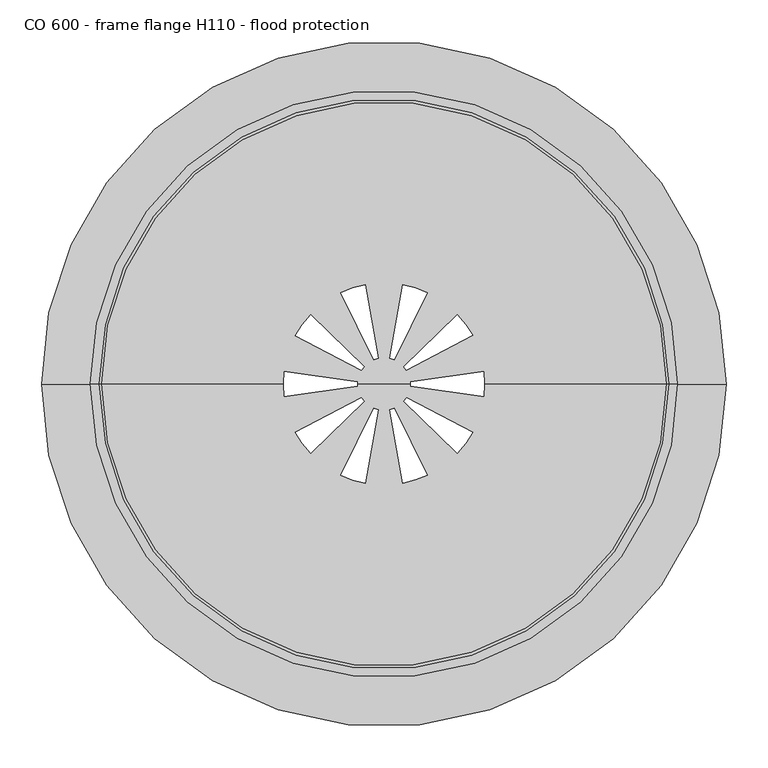
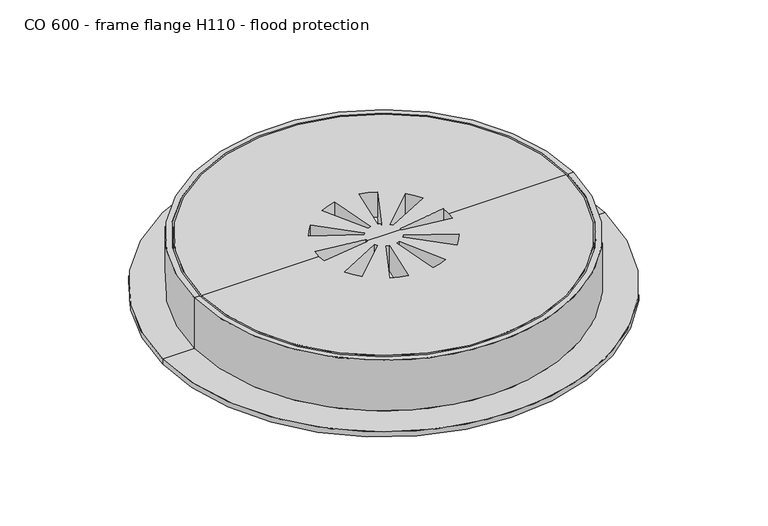
"""IFC4 building model written with IfcOpenShell, lengths in millimetres: sanitary terminal geometry, CO 600 - frame flange H110 - flood protection."""

import ifcopenshell
import ifcopenshell.guid

model = None  # the IFC model being written
_history = None  # IfcOwnerHistory: only IFC2X3 demands one
_inside = {}  # id of a spatial element -> (the spatial element, [elements in it])
_under = {}  # id of a project, library or spatial element -> (it, [spatial elements below it])
_declared = {}  # id of a project -> (the project, [libraries it declares])
_typed = {}  # id of a type object -> (the type object, [elements of that type])
_made_of = {}  # id of a material, layer set ... -> (it, [elements and type objects made of it])


def new_model(schema):
    """Start an empty IFC model of exactly this schema.

    Asked for "IFC4X3", IfcOpenShell would pick the latest addendum, in which some entities
    have other attributes; the version numbers below select the first issue.
    IFC2X3 requires an IfcOwnerHistory on every rooted entity: one is made here for all.
    """
    global model, _history
    if schema == "IFC4X3":
        model = ifcopenshell.file(schema_version=(4, 3, 0, 0))
    else:
        model = ifcopenshell.file(schema=schema)
    _inside.clear()
    _under.clear()
    _declared.clear()
    _typed.clear()
    _made_of.clear()
    _history = None
    if model.schema == "IFC2X3":
        org = make("IfcOrganization", Name="unknown")
        user = make(
            "IfcPersonAndOrganization",
            ThePerson=make("IfcPerson", FamilyName="unknown"),
            TheOrganization=org,
        )
        app = make(
            "IfcApplication",
            ApplicationDeveloper=org,
            Version="unknown",
            ApplicationFullName="unknown",
            ApplicationIdentifier="unknown",
        )
        _history = make(
            "IfcOwnerHistory",
            OwningUser=user,
            OwningApplication=app,
            ChangeAction="ADDED",
            CreationDate=0,
        )
    return model


def make(cls, **values):
    """One entity of the class cls with the attributes given. An attribute that is None is left unset."""
    return model.create_entity(
        cls, **{name: value for name, value in values.items() if value is not None}
    )


def rooted(cls, **values):
    """An entity with a GlobalId (a new one), such as an element, a storey or a relation."""
    return make(cls, GlobalId=ifcopenshell.guid.new(), OwnerHistory=_history, **values)


def si_unit(unit_type, name, prefix=None):
    """IfcSIUnit, for example si_unit("LENGTHUNIT", "METRE", prefix="MILLI")."""
    return make("IfcSIUnit", UnitType=unit_type, Prefix=prefix, Name=name)


def assignment(units):
    """IfcUnitAssignment: the units of a project."""
    return None if units is None else make("IfcUnitAssignment", Units=units)


def point(xyz):
    """IfcCartesianPoint."""
    return None if xyz is None else make("IfcCartesianPoint", Coordinates=xyz)


def direction(xyz):
    """IfcDirection."""
    return None if xyz is None else make("IfcDirection", DirectionRatios=xyz)


def frame(location, z_axis=None, x_axis=None):
    """IfcAxis2Placement3D, a coordinate frame: its origin and axes. An axis left out is left unset."""
    return make(
        "IfcAxis2Placement3D",
        Location=point(location),
        Axis=direction(z_axis),
        RefDirection=direction(x_axis),
    )


def origin():
    """The frame at (0, 0, 0) with its axes left unset."""
    return frame((0.0, 0.0, 0.0))


def origin_with_axes():
    """The frame at (0, 0, 0) with the z axis (0, 0, 1) and the x axis (1, 0, 0) written out."""
    return frame((0.0, 0.0, 0.0), z_axis=(0.0, 0.0, 1.0), x_axis=(1.0, 0.0, 0.0))


def place(relative_to, where):
    """IfcLocalPlacement: puts the frame where relative to a parent placement (None: the world)."""
    return make(
        "IfcLocalPlacement", PlacementRelTo=relative_to, RelativePlacement=where
    )


def context(
    kind, dimensions, precision=None, world=None, true_north=None, identifier=None
):
    """IfcGeometricRepresentationContext, for example the 3D "Model" context."""
    return make(
        "IfcGeometricRepresentationContext",
        ContextIdentifier=identifier,
        ContextType=kind,
        CoordinateSpaceDimension=dimensions,
        Precision=precision,
        WorldCoordinateSystem=world,
        TrueNorth=true_north,
    )


def project(units=None, contexts=None):
    """IfcProject with its units and contexts."""
    return rooted(
        "IfcProject",
        Name="project",
        RepresentationContexts=contexts,
        UnitsInContext=assignment(units),
    )


def spatial(cls, under=None, at=None, **own):
    """A site, building, storey or space (cls), placed at a placement, below another one or the project."""
    s = rooted(cls, ObjectPlacement=at, **own)
    if under is not None:
        _under.setdefault(under.id(), (under, []))[1].append(s)
    return s


def polyline(points):
    """IfcPolyline through the points."""
    return make("IfcPolyline", Points=[point(p) for p in points])


def circle_curve(where, radius):
    """IfcCircle in the frame where."""
    return make("IfcCircle", Position=where, Radius=radius)


def shape(context_of_items, identifier, shape_type, items):
    """IfcShapeRepresentation: the items that make up one representation, for example the "Body"."""
    return make(
        "IfcShapeRepresentation",
        ContextOfItems=context_of_items,
        RepresentationIdentifier=identifier,
        RepresentationType=shape_type,
        Items=items,
    )


def source(mapping_origin, context_of_items, identifier, shape_type, items):
    """IfcRepresentationMap: a shape defined once, which mapped items show again and again."""
    return make(
        "IfcRepresentationMap",
        MappingOrigin=mapping_origin,
        MappedRepresentation=shape(context_of_items, identifier, shape_type, items),
    )


def transform(
    local_origin,
    x_axis=None,
    y_axis=None,
    z_axis=None,
    scale=None,
    scale2=None,
    scale3=None,
    uniform=True,
):
    """IfcCartesianTransformationOperator3D, or its non-uniform kind. x_axis, y_axis, z_axis: its Axis1, 2, 3."""
    if uniform:
        return make(
            "IfcCartesianTransformationOperator3D",
            Axis1=direction(x_axis),
            Axis2=direction(y_axis),
            LocalOrigin=point(local_origin),
            Scale=scale,
            Axis3=direction(z_axis),
        )
    return make(
        "IfcCartesianTransformationOperator3DnonUniform",
        Axis1=direction(x_axis),
        Axis2=direction(y_axis),
        LocalOrigin=point(local_origin),
        Scale=scale,
        Axis3=direction(z_axis),
        Scale2=scale2,
        Scale3=scale3,
    )


def mapped(mapping_source, mapping_target):
    """IfcMappedItem: shows the shape of a source again, moved by a transform."""
    return make(
        "IfcMappedItem", MappingSource=mapping_source, MappingTarget=mapping_target
    )


def made_of(thing, what):
    """Note that an element or type object is made of a material, layer set ...; save() writes the relation."""
    if what is not None:
        _made_of.setdefault(what.id(), (what, []))[1].append(thing)
    return thing


def element(
    cls,
    number,
    at=None,
    inside=None,
    cuts=None,
    type_object=None,
    material=None,
    context=None,
    identifier="Body",
    shape_type=None,
    held_by="IfcProductDefinitionShape",
    body=None,
    shapes=None,
    **own,
):
    """One element of the class cls, such as IfcWall. Its Tag is "e" and its number.

    at: its placement. inside: the storey or other place that contains it. cuts: it is an
    opening in that element (IfcRelVoidsElement). A single representation is given by context,
    identifier, shape_type and body (its items); several are given by shapes. held_by: the class
    of the entity that holds the representations. save() writes the other relations.
    """
    e = rooted(cls, Tag="e%d" % number, ObjectPlacement=at, **own)
    if body is not None:
        shapes = [shape(context, identifier, shape_type, body)]
    if shapes is not None:
        e.Representation = make(held_by, Representations=shapes)
    if inside is not None:
        _inside.setdefault(inside.id(), (inside, []))[1].append(e)
    if cuts is not None:
        rooted(
            "IfcRelVoidsElement", RelatingBuildingElement=cuts, RelatedOpeningElement=e
        )
    if type_object is not None:
        _typed.setdefault(type_object.id(), (type_object, []))[1].append(e)
    return made_of(e, material)


def aggregate(whole, parts):
    """IfcRelAggregates: a whole, such as a stair, and the parts it consists of."""
    return rooted("IfcRelAggregates", RelatingObject=whole, RelatedObjects=parts)


def save(model, path):
    """Write the relations noted so far, then the file.

    IfcRelAggregates (storeys below a building ...), IfcRelContainedInSpatialStructure (elements
    in a storey), IfcRelDefinesByType, IfcRelAssociatesMaterial and IfcRelDeclares: one each for
    every whole, place, type object, material and project.
    """
    for whole, parts in _under.values():
        aggregate(whole, parts)
    for where, things in _inside.values():
        rooted(
            "IfcRelContainedInSpatialStructure",
            RelatedElements=things,
            RelatingStructure=where,
        )
    for kind, things in _typed.values():
        rooted("IfcRelDefinesByType", RelatedObjects=things, RelatingType=kind)
    for what, things in _made_of.values():
        rooted("IfcRelAssociatesMaterial", RelatedObjects=things, RelatingMaterial=what)
    for by, libraries in _declared.values():
        rooted("IfcRelDeclares", RelatingContext=by, RelatedDefinitions=libraries)
    model.write(path)


def plane_surface(at):
    """IfcPlane: the flat surface through the origin of the frame at, square to its z axis."""
    return make("IfcPlane", Position=at)


def cylinder_surface(at, radius):
    """IfcCylindricalSurface: all points at the distance radius from the z axis of the frame at."""
    return make("IfcCylindricalSurface", Position=at, Radius=radius)


def revolved_surface(curve, axis_point, axis_direction):
    """IfcSurfaceOfRevolution: the curve turned about the line through axis_point along axis_direction."""
    return make(
        "IfcSurfaceOfRevolution",
        SweptCurve=make("IfcArbitraryOpenProfileDef", ProfileType="CURVE", Curve=curve),
        AxisPosition=make("IfcAxis1Placement", Location=point(axis_point), Axis=direction(axis_direction)),
    )


def advanced_brep(points, edges, surfaces, faces):
    """IfcAdvancedBrep: a solid bounded by faces that lie on surfaces and meet in shared edges.

    An edge is (start, end): straight between two places in points (the first is 0);
    or (start, end, curve); or (start, end, curve, False) where it runs against its curve.
    A face is (place in surfaces, loops), or (place, loops, False) where it looks against
    its surface's normal. A loop lists edges by number (the first is 1), with a minus sign
    where the edge is run from its end to its start. The first loop is the outer one.
    """
    corners = [point(p) for p in points]
    vertices = [make("IfcVertexPoint", VertexGeometry=c) for c in corners]
    made = []
    for start, end, *more in edges:
        made.append(
            make(
                "IfcEdgeCurve",
                EdgeStart=vertices[start],
                EdgeEnd=vertices[end],
                EdgeGeometry=more[0] if more else make("IfcPolyline", Points=[corners[start], corners[end]]),
                SameSense=more[1] if len(more) > 1 else True,
            )
        )
    hull = []
    for where, loops, *sense in faces:
        bounds = []
        for j, loop in enumerate(loops):
            ring = [make("IfcOrientedEdge", EdgeElement=made[abs(k) - 1], Orientation=k > 0) for k in loop]
            bounds.append(
                make(
                    "IfcFaceOuterBound" if j == 0 else "IfcFaceBound",
                    Bound=make("IfcEdgeLoop", EdgeList=ring),
                    Orientation=True,
                )
            )
        hull.append(make("IfcAdvancedFace", Bounds=bounds, FaceSurface=surfaces[where], SameSense=sense[0] if sense else True))
    return make("IfcAdvancedBrep", Outer=make("IfcClosedShell", CfsFaces=hull))


def co_600_frame_flange_h110_flood_protection_4b9618b6(model_context):
    return source(origin(), model_context, "Body", "AdvancedBrep", [
        advanced_brep(
        [(340.0, 0.0, 0.0), (-340.0, 0.0, 0.0), (-121.5958327, 0.0, 0.0), (-120.6071292, 15.424968, 0.0), (-31.560084, 2.6724046, 0.0), (-31.676563, 0.0, 0.0), (0.0, 0.0, 0.0), (31.676563, 0.0, 0.0), (31.560267, 2.7204405, 0.0), (120.6071204, 15.4751885, 0.0), (121.5958327, 0.0, 0.0), (-12.3399515, 29.1749353, 0.0), (-51.9874287, 109.9220916, 0.0), (-22.5996362, 119.4707733, 0.0), (-7.2109944, 30.8412419, 0.0), (7.1653662, 30.85626, 0.0), (22.551871, 119.486284, 0.0), (51.9396689, 109.9376189, 0.0), (12.2942101, 29.189605, 0.0), (-27.1318272, 16.349777, 0.0), (-106.6692977, 58.3713962, 0.0), (-88.5066484, 83.3701531, 0.0), (-23.9618442, 20.7125727, 0.0), (23.9337576, 20.7515421, 0.0), (88.4771225, 83.4107772, 0.0), (106.6397858, 58.4120306, 0.0), (27.1034443, 16.3885311, 0.0), (120.6071292, -15.424968, 0.0), (31.560084, -2.6724046, 0.0), (-31.560267, -2.7204405, 0.0), (-120.6071204, -15.4751885, 0.0), (-23.9337576, -20.7515421, 0.0), (-88.4771225, -83.4107772, 0.0), (-106.6397858, -58.4120306, 0.0), (-27.1034443, -16.3885311, 0.0), (-7.1653662, -30.85626, 0.0), (-22.551871, -119.486284, 0.0), (-51.9396689, -109.9376189, 0.0), (-12.2942101, -29.189605, 0.0), (12.3399515, -29.1749353, 0.0), (51.9874287, -109.9220916, 0.0), (22.5996362, -119.4707733, 0.0), (7.2109944, -30.8412419, 0.0), (27.1318272, -16.349777, 0.0), (106.6692977, -58.3713962, 0.0), (88.5066484, -83.3701531, 0.0), (23.9618442, -20.7125727, 0.0), (340.0, 0.0, -50.0), (-340.0, 0.0, -50.0), (121.5958327, 0.0, -50.0), (120.6071204, 15.4751885, -50.0), (31.560267, 2.7204405, -50.0), (31.676563, 0.0, -50.0), (0.0, 0.0, -50.0), (-31.676563, 0.0, -50.0), (-31.560084, 2.6724046, -50.0), (-120.6071292, 15.424968, -50.0), (-121.5958327, 0.0, -50.0), (-51.9874287, 109.9220916, -50.0), (-12.3399515, 29.1749353, -50.0), (-7.2109944, 30.8412419, -50.0), (-22.5996362, 119.4707733, -50.0), (22.551871, 119.486284, -50.0), (7.1653662, 30.85626, -50.0), (12.2942101, 29.189605, -50.0), (51.9396689, 109.9376189, -50.0), (-106.6692977, 58.3713962, -50.0), (-27.1318272, 16.349777, -50.0), (-23.9618442, 20.7125727, -50.0), (-88.5066484, 83.3701531, -50.0), (88.4771225, 83.4107772, -50.0), (23.9337576, 20.7515421, -50.0), (27.1034443, 16.3885311, -50.0), (106.6397858, 58.4120306, -50.0), (-120.6071204, -15.4751885, -50.0), (-31.560267, -2.7204405, -50.0), (31.560084, -2.6724046, -50.0), (120.6071292, -15.424968, -50.0), (-88.4771225, -83.4107772, -50.0), (-23.9337576, -20.7515421, -50.0), (-27.1034443, -16.3885311, -50.0), (-106.6397858, -58.4120306, -50.0), (-22.551871, -119.486284, -50.0), (-7.1653662, -30.85626, -50.0), (-12.2942101, -29.189605, -50.0), (-51.9396689, -109.9376189, -50.0), (51.9874287, -109.9220916, -50.0), (12.3399515, -29.1749353, -50.0), (7.2109944, -30.8412419, -50.0), (22.5996362, -119.4707733, -50.0), (106.6692977, -58.3713962, -50.0), (27.1318272, -16.349777, -50.0), (23.9618442, -20.7125727, -50.0), (88.5066484, -83.3701531, -50.0)],
        [
            (0, 1, circle_curve(frame((0.0, 0.0, 0.0), z_axis=(0.0, 0.0, 1.0), x_axis=(-1.0, 0.0, 0.0)), 340.0)),
            (1, 2),
            (2, 3, circle_curve(frame((-0.3862042, -0.0250763, 0.0), z_axis=(0.0, 0.0, -1.0), x_axis=(-0.30901699437499214, -0.951056516295139, 0.0)), 121.2096311)),
            (3, 4),
            (4, 5, circle_curve(frame((-0.3862042, -0.0250763, 0.0), z_axis=(0.0, 0.0, 1.0), x_axis=(-0.30901699437499214, -0.951056516295139, 0.0)), 31.2903689)),
            (5, 6),
            (6, 7),
            (7, 8, circle_curve(frame((0.3862042, 0.0250763, 0.0), z_axis=(0.0, 0.0, 1.0), x_axis=(0.3090169943750079, 0.9510565162951341, 0.0)), 31.2903689)),
            (8, 9),
            (9, 10, circle_curve(frame((0.3862042, 0.0250763, 0.0), z_axis=(0.0, 0.0, -1.0), x_axis=(0.3090169943750079, 0.9510565162951341, 0.0)), 121.2096311)),
            (10, 0),
            (11, 12),
            (12, 13, circle_curve(frame((-0.1431926, 0.359553, 0.0), z_axis=(0.0, 0.0, -1.0), x_axis=(-1.0, 0.0, 0.0)), 121.2096311)),
            (13, 14),
            (14, 11, circle_curve(frame((-0.1431926, 0.359553, 0.0), z_axis=(0.0, 0.0, 1.0), x_axis=(-1.0, 0.0, 0.0)), 31.2903689)),
            (15, 16),
            (16, 17, circle_curve(frame((0.0954947, 0.375051, 0.0), z_axis=(0.0, 0.0, -1.0), x_axis=(-0.8090169943749208, 0.5877852522925097, 0.0)), 121.2096311)),
            (17, 18),
            (18, 15, circle_curve(frame((0.0954947, 0.375051, 0.0), z_axis=(0.0, 0.0, 1.0), x_axis=(-0.8090169943749208, 0.5877852522925097, 0.0)), 31.2903689)),
            (19, 20),
            (20, 21, circle_curve(frame((-0.3271852, 0.206718, 0.0), z_axis=(0.0, 0.0, -1.0), x_axis=(-0.8090169943749749, -0.5877852522924353, 0.0)), 121.2096311)),
            (21, 22),
            (22, 19, circle_curve(frame((-0.3271852, 0.206718, 0.0), z_axis=(0.0, 0.0, 1.0), x_axis=(-0.8090169943749749, -0.5877852522924353, 0.0)), 31.2903689)),
            (23, 24),
            (24, 25, circle_curve(frame((0.2977062, 0.2472923, 0.0), z_axis=(0.0, 0.0, -1.0), x_axis=(-0.309016994374899, 0.9510565162951694, 0.0)), 121.2096311)),
            (25, 26),
            (26, 23, circle_curve(frame((0.2977062, 0.2472923, 0.0), z_axis=(0.0, 0.0, 1.0), x_axis=(-0.309016994374899, 0.9510565162951694, 0.0)), 31.2903689)),
            (1, 0, circle_curve(frame((0.0, 0.0, 0.0), z_axis=(0.0, 0.0, 1.0), x_axis=(-1.0, 0.0, 0.0)), 340.0)),
            (10, 27, circle_curve(frame((0.3862042, 0.0250763, 0.0), z_axis=(0.0, 0.0, -1.0), x_axis=(0.3090169943750079, 0.9510565162951341, 0.0)), 121.2096311)),
            (27, 28),
            (28, 7, circle_curve(frame((0.3862042, 0.0250763, 0.0), z_axis=(0.0, 0.0, 1.0), x_axis=(0.3090169943750079, 0.9510565162951341, 0.0)), 31.2903689)),
            (5, 29, circle_curve(frame((-0.3862042, -0.0250763, 0.0), z_axis=(0.0, 0.0, 1.0), x_axis=(-0.30901699437499214, -0.951056516295139, 0.0)), 31.2903689)),
            (29, 30),
            (30, 2, circle_curve(frame((-0.3862042, -0.0250763, 0.0), z_axis=(0.0, 0.0, -1.0), x_axis=(-0.30901699437499214, -0.951056516295139, 0.0)), 121.2096311)),
            (31, 32),
            (32, 33, circle_curve(frame((-0.2977062, -0.2472923, 0.0), z_axis=(0.0, 0.0, -1.0), x_axis=(0.30901699437489505, -0.9510565162951706, 0.0)), 121.2096311)),
            (33, 34),
            (34, 31, circle_curve(frame((-0.2977062, -0.2472923, 0.0), z_axis=(0.0, 0.0, 1.0), x_axis=(0.30901699437489505, -0.9510565162951706, 0.0)), 31.2903689)),
            (35, 36),
            (36, 37, circle_curve(frame((-0.0954947, -0.375051, 0.0), z_axis=(0.0, 0.0, -1.0), x_axis=(0.8090169943749113, -0.5877852522925231, 0.0)), 121.2096311)),
            (37, 38),
            (38, 35, circle_curve(frame((-0.0954947, -0.375051, 0.0), z_axis=(0.0, 0.0, 1.0), x_axis=(0.8090169943749113, -0.5877852522925231, 0.0)), 31.2903689)),
            (39, 40),
            (40, 41, circle_curve(frame((0.1431926, -0.359553, 0.0), z_axis=(0.0, 0.0, -1.0), x_axis=(1.0, 0.0, 0.0)), 121.2096311)),
            (41, 42),
            (42, 39, circle_curve(frame((0.1431926, -0.359553, 0.0), z_axis=(0.0, 0.0, 1.0), x_axis=(1.0, 0.0, 0.0)), 31.2903689)),
            (43, 44),
            (44, 45, circle_curve(frame((0.3271852, -0.206718, 0.0), z_axis=(0.0, 0.0, -1.0), x_axis=(0.8090169943749843, 0.5877852522924224, 0.0)), 121.2096311)),
            (45, 46),
            (46, 43, circle_curve(frame((0.3271852, -0.206718, 0.0), z_axis=(0.0, 0.0, 1.0), x_axis=(0.8090169943749843, 0.5877852522924224, 0.0)), 31.2903689)),
            (0, 47),
            (47, 48, circle_curve(frame((0.0, 0.0, -50.0), z_axis=(0.0, 0.0, 1.0), x_axis=(-1.0, 0.0, 0.0)), 340.0)),
            (48, 1),
            (48, 47, circle_curve(frame((0.0, 0.0, -50.0), z_axis=(0.0, 0.0, 1.0), x_axis=(-1.0, 0.0, 0.0)), 340.0)),
            (47, 49),
            (49, 50, circle_curve(frame((0.3862042, 0.0250763, -50.0), z_axis=(0.0, 0.0, 1.0), x_axis=(0.3090169943750079, 0.9510565162951341, 0.0)), 121.2096311)),
            (50, 51),
            (51, 52, circle_curve(frame((0.3862042, 0.0250763, -50.0), z_axis=(0.0, 0.0, -1.0), x_axis=(0.3090169943750079, 0.9510565162951341, 0.0)), 31.2903689)),
            (52, 53),
            (53, 54),
            (54, 55, circle_curve(frame((-0.3862042, -0.0250763, -50.0), z_axis=(0.0, 0.0, -1.0), x_axis=(-0.30901699437499214, -0.951056516295139, 0.0)), 31.2903689)),
            (55, 56),
            (56, 57, circle_curve(frame((-0.3862042, -0.0250763, -50.0), z_axis=(0.0, 0.0, 1.0), x_axis=(-0.30901699437499214, -0.951056516295139, 0.0)), 121.2096311)),
            (57, 48),
            (58, 59),
            (59, 60, circle_curve(frame((-0.1431926, 0.359553, -50.0), z_axis=(0.0, 0.0, -1.0), x_axis=(-1.0, 0.0, 0.0)), 31.2903689)),
            (60, 61),
            (61, 58, circle_curve(frame((-0.1431926, 0.359553, -50.0), z_axis=(0.0, 0.0, 1.0), x_axis=(-1.0, 0.0, 0.0)), 121.2096311)),
            (62, 63),
            (63, 64, circle_curve(frame((0.0954947, 0.375051, -50.0), z_axis=(0.0, 0.0, -1.0), x_axis=(-0.8090169943749208, 0.5877852522925097, 0.0)), 31.2903689)),
            (64, 65),
            (65, 62, circle_curve(frame((0.0954947, 0.375051, -50.0), z_axis=(0.0, 0.0, 1.0), x_axis=(-0.8090169943749208, 0.5877852522925097, 0.0)), 121.2096311)),
            (66, 67),
            (67, 68, circle_curve(frame((-0.3271852, 0.206718, -50.0), z_axis=(0.0, 0.0, -1.0), x_axis=(-0.8090169943749749, -0.5877852522924353, 0.0)), 31.2903689)),
            (68, 69),
            (69, 66, circle_curve(frame((-0.3271852, 0.206718, -50.0), z_axis=(0.0, 0.0, 1.0), x_axis=(-0.8090169943749749, -0.5877852522924353, 0.0)), 121.2096311)),
            (70, 71),
            (71, 72, circle_curve(frame((0.2977062, 0.2472923, -50.0), z_axis=(0.0, 0.0, -1.0), x_axis=(-0.309016994374899, 0.9510565162951694, 0.0)), 31.2903689)),
            (72, 73),
            (73, 70, circle_curve(frame((0.2977062, 0.2472923, -50.0), z_axis=(0.0, 0.0, 1.0), x_axis=(-0.309016994374899, 0.9510565162951694, 0.0)), 121.2096311)),
            (57, 74, circle_curve(frame((-0.3862042, -0.0250763, -50.0), z_axis=(0.0, 0.0, 1.0), x_axis=(-0.30901699437499214, -0.951056516295139, 0.0)), 121.2096311)),
            (74, 75),
            (75, 54, circle_curve(frame((-0.3862042, -0.0250763, -50.0), z_axis=(0.0, 0.0, -1.0), x_axis=(-0.30901699437499214, -0.951056516295139, 0.0)), 31.2903689)),
            (52, 76, circle_curve(frame((0.3862042, 0.0250763, -50.0), z_axis=(0.0, 0.0, -1.0), x_axis=(0.3090169943750079, 0.9510565162951341, 0.0)), 31.2903689)),
            (76, 77),
            (77, 49, circle_curve(frame((0.3862042, 0.0250763, -50.0), z_axis=(0.0, 0.0, 1.0), x_axis=(0.3090169943750079, 0.9510565162951341, 0.0)), 121.2096311)),
            (78, 79),
            (79, 80, circle_curve(frame((-0.2977062, -0.2472923, -50.0), z_axis=(0.0, 0.0, -1.0), x_axis=(0.30901699437489505, -0.9510565162951706, 0.0)), 31.2903689)),
            (80, 81),
            (81, 78, circle_curve(frame((-0.2977062, -0.2472923, -50.0), z_axis=(0.0, 0.0, 1.0), x_axis=(0.30901699437489505, -0.9510565162951706, 0.0)), 121.2096311)),
            (82, 83),
            (83, 84, circle_curve(frame((-0.0954947, -0.375051, -50.0), z_axis=(0.0, 0.0, -1.0), x_axis=(0.8090169943749113, -0.5877852522925231, 0.0)), 31.2903689)),
            (84, 85),
            (85, 82, circle_curve(frame((-0.0954947, -0.375051, -50.0), z_axis=(0.0, 0.0, 1.0), x_axis=(0.8090169943749113, -0.5877852522925231, 0.0)), 121.2096311)),
            (86, 87),
            (87, 88, circle_curve(frame((0.1431926, -0.359553, -50.0), z_axis=(0.0, 0.0, -1.0), x_axis=(1.0, 0.0, 0.0)), 31.2903689)),
            (88, 89),
            (89, 86, circle_curve(frame((0.1431926, -0.359553, -50.0), z_axis=(0.0, 0.0, 1.0), x_axis=(1.0, 0.0, 0.0)), 121.2096311)),
            (90, 91),
            (91, 92, circle_curve(frame((0.3271852, -0.206718, -50.0), z_axis=(0.0, 0.0, -1.0), x_axis=(0.8090169943749843, 0.5877852522924224, 0.0)), 31.2903689)),
            (92, 93),
            (93, 90, circle_curve(frame((0.3271852, -0.206718, -50.0), z_axis=(0.0, 0.0, 1.0), x_axis=(0.8090169943749843, 0.5877852522924224, 0.0)), 121.2096311)),
            (58, 12),
            (11, 59),
            (14, 60),
            (13, 61),
            (62, 16),
            (15, 63),
            (18, 64),
            (17, 65),
            (66, 20),
            (19, 67),
            (22, 68),
            (21, 69),
            (74, 30),
            (29, 75),
            (4, 55),
            (3, 56),
            (78, 32),
            (31, 79),
            (34, 80),
            (33, 81),
            (82, 36),
            (35, 83),
            (38, 84),
            (37, 85),
            (86, 40),
            (39, 87),
            (42, 88),
            (41, 89),
            (90, 44),
            (43, 91),
            (46, 92),
            (45, 93),
            (50, 9),
            (8, 51),
            (28, 76),
            (27, 77),
            (70, 24),
            (23, 71),
            (26, 72),
            (25, 73),
        ],
        [
            plane_surface(frame((0.0, 0.0, 0.0), z_axis=(0.0, 0.0, 1.0), x_axis=(-1.0, 0.0, 0.0))),
            cylinder_surface(frame((0.0, 0.0, 435.0458336), z_axis=(0.0, 0.0, -1.0), x_axis=(-1.0, 0.0, 0.0)), 340.0),
            plane_surface(frame((0.0, 0.0, -50.0), z_axis=(0.0, 0.0, -1.0), x_axis=(-1.0, 0.0, 0.0))),
            plane_surface(frame((-51.9874287, 109.9220916, 110.0), z_axis=(0.8976325855026765, 0.44074453081550563, 0.0), x_axis=(0.0, 0.0, -1.0))),
            cylinder_surface(frame((-0.1431926, 0.359553, -140.0), z_axis=(0.0, 0.0, -1.0), x_axis=(-1.0, 0.0, 0.0)), 31.2903689),
            plane_surface(frame((-7.2109944, 30.8412419, 110.0), z_axis=(-0.9852589874779316, -0.17106936486104432, 0.0), x_axis=(0.0, 0.0, -1.0))),
            revolved_surface(polyline([(-121.3528237, 0.359553, 0.0), (-121.3528237, 0.359553, -50.0)]), (-0.1431926, 0.359553, -140.0), (0.0, 0.0, 1.0)),
            plane_surface(frame((22.551871, 119.486284, 110.0), z_axis=(0.9852631516183082, -0.17104538012807774, 0.0), x_axis=(0.0, 0.0, -1.0))),
            cylinder_surface(frame((0.0954947, 0.375051, -140.0), z_axis=(0.0, 0.0, -0.9999999999999999), x_axis=(-0.8090169943749208, 0.5877852522925097, 0.0)), 31.2903689),
            plane_surface(frame((12.2942101, 29.189605, 110.0), z_axis=(-0.8976433145146627, 0.4407226791386283, 0.0), x_axis=(0.0, 0.0, -1.0))),
            revolved_surface(polyline([(-97.96515674181492, 71.62028459639552, -5.684341886080802e-14), (-97.96515674181492, 71.62028459639552, -50.00000000000003)]), (0.0954947, 0.375051, -140.0), (0.0, 0.0, 0.9999999999999999)),
            plane_surface(frame((-106.6692977, 58.3713962, 110.0), z_axis=(0.46713688113446905, 0.8841850113431923, 0.0), x_axis=(0.0, 0.0, -1.0))),
            cylinder_surface(frame((-0.3271852, 0.206718, -140.0), z_axis=(0.0, 0.0, -1.0), x_axis=(-0.8090169943749749, -0.5877852522924353, 0.0)), 31.2903689),
            plane_surface(frame((-23.9618442, 20.7125727, 110.0), z_axis=(-0.6965392149459384, -0.7175187259176558, 0.0), x_axis=(0.0, 0.0, -1.0))),
            revolved_surface(polyline([(-98.38783664182148, -71.03851559638652, 0.0), (-98.38783664182148, -71.03851559638652, -50.0)]), (-0.3271852, 0.206718, -140.0), (0.0, 0.0, 1.0)),
            plane_surface(frame((-120.6071204, -15.4751885, 110.0), z_axis=(-0.14178923442848607, 0.9898968698809911, 0.0), x_axis=(0.0, 0.0, -1.0))),
            cylinder_surface(frame((-0.3862042, -0.0250763, -140.0), z_axis=(0.0, 0.0, -0.9999999999999999), x_axis=(-0.30901699437499214, -0.951056516295139, 0.0)), 31.2903689),
            plane_surface(frame((-31.560084, 2.6724046, 110.0), z_axis=(-0.1417651368017657, -0.9899003212382431, 0.0), x_axis=(0.0, 0.0, -1.0))),
            revolved_surface(polyline([(-37.84204009182357, -115.30228579538493, -5.684341886080802e-14), (-37.84204009182357, -115.30228579538493, -50.00000000000003)]), (-0.3862042, -0.0250763, -140.0), (0.0, 0.0, 0.9999999999999999)),
            plane_surface(frame((-88.4771225, -83.4107772, 110.0), z_axis=(-0.6965566816785805, 0.7175017694813893, 0.0), x_axis=(0.0, 0.0, -1.0))),
            cylinder_surface(frame((-0.2977062, -0.2472923, -140.0), z_axis=(0.0, 0.0, -1.0), x_axis=(0.30901699437489505, -0.9510565162951706, 0.0)), 31.2903689),
            plane_surface(frame((-27.1034443, -16.3885311, 110.0), z_axis=(0.467158405180896, -0.8841736393202648, 0.0), x_axis=(0.0, 0.0, -1.0))),
            revolved_surface(polyline([(37.1581296918118, -115.52450179538876, 0.0), (37.1581296918118, -115.52450179538876, -50.0)]), (-0.2977062, -0.2472923, -140.0), (0.0, 0.0, 1.0)),
            plane_surface(frame((-22.551871, -119.486284, 110.0), z_axis=(-0.9852631516183054, 0.17104538012809395, 0.0), x_axis=(0.0, 0.0, -1.0))),
            cylinder_surface(frame((-0.0954947, -0.375051, -140.0), z_axis=(0.0, 0.0, -1.0000000000000002), x_axis=(0.8090169943749113, -0.5877852522925231, 0.0)), 31.2903689),
            plane_surface(frame((-12.2942101, -29.189605, 110.0), z_axis=(0.8976433145146555, -0.4407226791386431, 0.0), x_axis=(0.0, 0.0, -1.0))),
            revolved_surface(polyline([(97.96515674181376, -71.62028459639716, 5.684341886080802e-14), (97.96515674181376, -71.62028459639716, -49.99999999999997)]), (-0.0954947, -0.375051, -140.0), (0.0, 0.0, 1.0000000000000002)),
            plane_surface(frame((51.9874287, -109.9220916, 110.0), z_axis=(-0.8976325855026837, -0.4407445308154911, 0.0), x_axis=(0.0, 0.0, -1.0))),
            cylinder_surface(frame((0.1431926, -0.359553, -140.0), z_axis=(0.0, 0.0, -1.0), x_axis=(1.0, 0.0, 0.0)), 31.2903689),
            plane_surface(frame((7.2109944, -30.8412419, 110.0), z_axis=(0.9852589874779344, 0.17106936486102822, 0.0), x_axis=(0.0, 0.0, -1.0))),
            revolved_surface(polyline([(121.3528237, -0.359553, 0.0), (121.3528237, -0.359553, -50.0)]), (0.1431926, -0.359553, -140.0), (0.0, 0.0, 1.0)),
            plane_surface(frame((106.6692977, -58.3713962, 110.0), z_axis=(-0.46713688113448315, -0.8841850113431847, 0.0), x_axis=(0.0, 0.0, -1.0))),
            cylinder_surface(frame((0.3271852, -0.206718, -140.0), z_axis=(0.0, 0.0, -1.0), x_axis=(0.8090169943749843, 0.5877852522924224, 0.0)), 31.2903689),
            plane_surface(frame((23.9618442, -20.7125727, 110.0), z_axis=(0.6965392149459498, 0.7175187259176447, 0.0), x_axis=(0.0, 0.0, -1.0))),
            revolved_surface(polyline([(98.38783664182262, 71.03851559638495, 0.0), (98.38783664182262, 71.03851559638495, -50.0)]), (0.3271852, -0.206718, -140.0), (0.0, 0.0, 1.0)),
            plane_surface(frame((120.6071204, 15.4751885, 110.0), z_axis=(0.14178923442846944, -0.9898968698809936, 0.0), x_axis=(0.0, 0.0, -1.0))),
            cylinder_surface(frame((0.3862042, 0.0250763, -140.0), z_axis=(0.0, 0.0, -1.0000000000000002), x_axis=(0.3090169943750079, 0.9510565162951341, 0.0)), 31.2903689),
            plane_surface(frame((31.560084, -2.6724046, 110.0), z_axis=(0.14176513680178207, 0.9899003212382407, 0.0), x_axis=(0.0, 0.0, -1.0))),
            revolved_surface(polyline([(37.84204009182548, 115.30228579538434, 5.684341886080802e-14), (37.84204009182548, 115.30228579538434, -49.99999999999997)]), (0.3862042, 0.0250763, -140.0), (0.0, 0.0, 1.0000000000000002)),
            plane_surface(frame((88.4771225, 83.4107772, 110.0), z_axis=(0.6965566816785834, -0.7175017694813866, 0.0), x_axis=(0.0, 0.0, -1.0))),
            cylinder_surface(frame((0.2977062, 0.2472923, -140.0), z_axis=(0.0, 0.0, -1.0000000000000002), x_axis=(-0.309016994374899, 0.9510565162951694, 0.0)), 31.2903689),
            plane_surface(frame((27.1034443, 16.3885311, 110.0), z_axis=(-0.4671584051808998, 0.8841736393202629, 0.0), x_axis=(0.0, 0.0, -1.0))),
            revolved_surface(polyline([(-37.15812969181228, 115.52450179538862, 5.684341886080802e-14), (-37.15812969181228, 115.52450179538862, -49.99999999999997)]), (0.2977062, 0.2472923, -140.0), (0.0, 0.0, 1.0000000000000002)),
        ],
        [
            (0, [[1, 2, 3, 4, 5, 6, 7, 8, 9, 10, 11], [12, 13, 14, 15], [16, 17, 18, 19], [20, 21, 22, 23], [24, 25, 26, 27]]),
            (0, [[28, -11, 29, 30, 31, -7, -6, 32, 33, 34, -2], [35, 36, 37, 38], [39, 40, 41, 42], [43, 44, 45, 46], [47, 48, 49, 50]]),
            (1, [[-1, 51, 52, 53]]),
            (1, [[-28, -53, 54, -51]]),
            (2, [[-52, 55, 56, 57, 58, 59, 60, 61, 62, 63, 64], [65, 66, 67, 68], [69, 70, 71, 72], [73, 74, 75, 76], [77, 78, 79, 80]]),
            (2, [[-54, -64, 81, 82, 83, -60, -59, 84, 85, 86, -55], [87, 88, 89, 90], [91, 92, 93, 94], [95, 96, 97, 98], [99, 100, 101, 102]]),
            (3, [[103, -12, 104, -65]]),
            (4, [[-104, -15, 105, -66]]),
            (5, [[-105, -14, 106, -67]]),
            (6, [[-103, -68, -106, -13]]),
            (7, [[107, -16, 108, -69]]),
            (8, [[-108, -19, 109, -70]]),
            (9, [[-109, -18, 110, -71]]),
            (10, [[-107, -72, -110, -17]]),
            (11, [[111, -20, 112, -73]]),
            (12, [[-112, -23, 113, -74]]),
            (13, [[-113, -22, 114, -75]]),
            (14, [[-111, -76, -114, -21]]),
            (15, [[115, -33, 116, -82]]),
            (16, [[-116, -32, -5, 117, -61, -83]]),
            (17, [[-117, -4, 118, -62]]),
            (18, [[-115, -81, -63, -118, -3, -34]]),
            (19, [[119, -35, 120, -87]]),
            (20, [[-120, -38, 121, -88]]),
            (21, [[-121, -37, 122, -89]]),
            (22, [[-119, -90, -122, -36]]),
            (23, [[123, -39, 124, -91]]),
            (24, [[-124, -42, 125, -92]]),
            (25, [[-125, -41, 126, -93]]),
            (26, [[-123, -94, -126, -40]]),
            (27, [[127, -43, 128, -95]]),
            (28, [[-128, -46, 129, -96]]),
            (29, [[-129, -45, 130, -97]]),
            (30, [[-127, -98, -130, -44]]),
            (31, [[131, -47, 132, -99]]),
            (32, [[-132, -50, 133, -100]]),
            (33, [[-133, -49, 134, -101]]),
            (34, [[-131, -102, -134, -48]]),
            (35, [[135, -9, 136, -57]]),
            (36, [[-136, -8, -31, 137, -84, -58]]),
            (37, [[-137, -30, 138, -85]]),
            (38, [[-135, -56, -86, -138, -29, -10]]),
            (39, [[139, -24, 140, -77]]),
            (40, [[-140, -27, 141, -78]]),
            (41, [[-141, -26, 142, -79]]),
            (42, [[-139, -80, -142, -25]]),
        ],
    ),
        advanced_brep(
        [(-302.5, 0.0, -50.0), (302.5, 0.0, -50.0), (343.5, 0.0, -50.0), (-343.5, 0.0, -50.0), (-302.5, 0.0, -60.0), (302.5, 0.0, -60.0), (-343.5, 0.0, -60.0), (343.5, 0.0, -60.0), (-343.5, 0.0, -110.0), (343.5, 0.0, -110.0), (-412.5, 0.0, -110.0), (412.5, 0.0, -110.0), (-412.5, 0.0, -100.0), (412.5, 0.0, -100.0), (-353.5, 0.0, -100.0), (353.5, 0.0, -100.0), (-353.5, 0.0, 0.0), (353.5, 0.0, 0.0), (-343.5, 0.0, 0.0), (343.5, 0.0, 0.0)],
        [
            (0, 1, circle_curve(frame((0.0, 0.0, -50.0), z_axis=(0.0, 0.0, -1.0), x_axis=(1.0, 0.0, 0.0)), 302.5)),
            (1, 2),
            (2, 3, circle_curve(frame((0.0, 0.0, -50.0), z_axis=(0.0, 0.0, 1.0), x_axis=(1.0, 0.0, 0.0)), 343.5)),
            (3, 0),
            (1, 0, circle_curve(frame((0.0, 0.0, -50.0), z_axis=(0.0, 0.0, -1.0), x_axis=(1.0, 0.0, 0.0)), 302.5)),
            (3, 2, circle_curve(frame((0.0, 0.0, -50.0), z_axis=(0.0, 0.0, 1.0), x_axis=(1.0, 0.0, 0.0)), 343.5)),
            (4, 5, circle_curve(frame((0.0, 0.0, -60.0), z_axis=(0.0, 0.0, -1.0), x_axis=(1.0, 0.0, 0.0)), 302.5)),
            (5, 1),
            (0, 4),
            (5, 4, circle_curve(frame((0.0, 0.0, -60.0), z_axis=(0.0, 0.0, -1.0), x_axis=(1.0, 0.0, 0.0)), 302.5)),
            (6, 7, circle_curve(frame((0.0, 0.0, -60.0), z_axis=(0.0, 0.0, -1.0), x_axis=(1.0, 0.0, 0.0)), 343.5)),
            (7, 5),
            (4, 6),
            (7, 6, circle_curve(frame((0.0, 0.0, -60.0), z_axis=(0.0, 0.0, -1.0), x_axis=(1.0, 0.0, 0.0)), 343.5)),
            (8, 9, circle_curve(frame((0.0, 0.0, -110.0), z_axis=(0.0, 0.0, -1.0), x_axis=(1.0, 0.0, 0.0)), 343.5)),
            (9, 7),
            (6, 8),
            (9, 8, circle_curve(frame((0.0, 0.0, -110.0), z_axis=(0.0, 0.0, -1.0), x_axis=(1.0, 0.0, 0.0)), 343.5)),
            (10, 11, circle_curve(frame((0.0, 0.0, -110.0), z_axis=(0.0, 0.0, -1.0), x_axis=(1.0, 0.0, 0.0)), 412.5)),
            (11, 9),
            (8, 10),
            (11, 10, circle_curve(frame((0.0, 0.0, -110.0), z_axis=(0.0, 0.0, -1.0), x_axis=(1.0, 0.0, 0.0)), 412.5)),
            (12, 13, circle_curve(frame((0.0, 0.0, -100.0), z_axis=(0.0, 0.0, -1.0), x_axis=(1.0, 0.0, 0.0)), 412.5)),
            (13, 11),
            (10, 12),
            (13, 12, circle_curve(frame((0.0, 0.0, -100.0), z_axis=(0.0, 0.0, -1.0), x_axis=(1.0, 0.0, 0.0)), 412.5)),
            (14, 15, circle_curve(frame((0.0, 0.0, -100.0), z_axis=(0.0, 0.0, -1.0), x_axis=(1.0, 0.0, 0.0)), 353.5)),
            (15, 13),
            (12, 14),
            (15, 14, circle_curve(frame((0.0, 0.0, -100.0), z_axis=(0.0, 0.0, -1.0), x_axis=(1.0, 0.0, 0.0)), 353.5)),
            (16, 17, circle_curve(frame((0.0, 0.0, 0.0), z_axis=(0.0, 0.0, -1.0), x_axis=(1.0, 0.0, 0.0)), 353.5)),
            (17, 15),
            (14, 16),
            (17, 16, circle_curve(frame((0.0, 0.0, 0.0), z_axis=(0.0, 0.0, -1.0), x_axis=(1.0, 0.0, 0.0)), 353.5)),
            (18, 19, circle_curve(frame((0.0, 0.0, 0.0), z_axis=(0.0, 0.0, -1.0), x_axis=(1.0, 0.0, 0.0)), 343.5)),
            (19, 17),
            (16, 18),
            (19, 18, circle_curve(frame((0.0, 0.0, 0.0), z_axis=(0.0, 0.0, -1.0), x_axis=(1.0, 0.0, 0.0)), 343.5)),
            (2, 19),
            (18, 3),
        ],
        [
            plane_surface(frame((0.0, 0.0, -50.0), z_axis=(0.0, 0.0, 1.0), x_axis=(1.0, 0.0, 0.0))),
            revolved_surface(polyline([(302.5, 0.0, -50.0), (302.5, 0.0, -60.0)]), (0.0, 0.0, 652.253118), (0.0, 0.0, 1.0)),
            plane_surface(frame((0.0, 0.0, -60.0), z_axis=(0.0, 0.0, -1.0), x_axis=(1.0, 0.0, 0.0))),
            revolved_surface(polyline([(343.5, 0.0, -60.0), (343.5, 0.0, -110.0)]), (0.0, 0.0, 652.253118), (0.0, 0.0, 1.0)),
            plane_surface(frame((0.0, 0.0, -110.0), z_axis=(0.0, 0.0, -1.0), x_axis=(1.0, 0.0, 0.0))),
            cylinder_surface(frame((0.0, 0.0, 652.253118), z_axis=(0.0, 0.0, 1.0), x_axis=(1.0, 0.0, 0.0)), 412.5),
            plane_surface(frame((0.0, 0.0, -100.0), z_axis=(0.0, 0.0, 1.0), x_axis=(1.0, 0.0, 0.0))),
            cylinder_surface(frame((0.0, 0.0, 652.253118), z_axis=(0.0, 0.0, 1.0), x_axis=(1.0, 0.0, 0.0)), 353.5),
            plane_surface(origin_with_axes()),
            revolved_surface(polyline([(343.5, 0.0, 0.0), (343.5, 0.0, -50.0)]), (0.0, 0.0, 652.253118), (0.0, 0.0, 1.0)),
        ],
        [
            (0, [[1, 2, 3, 4]]),
            (0, [[5, -4, 6, -2]]),
            (1, [[7, 8, -1, 9]]),
            (1, [[10, -9, -5, -8]]),
            (2, [[11, 12, -7, 13]]),
            (2, [[14, -13, -10, -12]]),
            (3, [[15, 16, -11, 17]]),
            (3, [[18, -17, -14, -16]]),
            (4, [[19, 20, -15, 21]]),
            (4, [[22, -21, -18, -20]]),
            (5, [[23, 24, -19, 25]]),
            (5, [[26, -25, -22, -24]]),
            (6, [[27, 28, -23, 29]]),
            (6, [[30, -29, -26, -28]]),
            (7, [[31, 32, -27, 33]]),
            (7, [[34, -33, -30, -32]]),
            (8, [[35, 36, -31, 37]]),
            (8, [[38, -37, -34, -36]]),
            (9, [[-3, 39, -35, 40]]),
            (9, [[-6, -40, -38, -39]]),
        ],
    ),
    ])


if __name__ == "__main__":
    model = new_model("IFC4")
    model_context = context("Model", 3, world=origin())
    ifc_project = project(units=[si_unit("LENGTHUNIT", "METRE", prefix="MILLI")], contexts=[model_context])
    site = spatial("IfcSite", under=ifc_project)
    building = spatial("IfcBuilding", under=site)
    placement = place(None, origin())
    co_600_frame_flange_h110_flood_protection_shape = co_600_frame_flange_h110_flood_protection_4b9618b6(model_context)
    element("IfcSanitaryTerminal", 1, ObjectType="CO 600 - frame flange H110 - flood protection", at=placement, inside=building, context=model_context, shape_type="MappedRepresentation", body=[
        mapped(co_600_frame_flange_h110_flood_protection_shape, transform((0.0, 0.0, 0.0), x_axis=(1.0, 0.0, 0.0), y_axis=(0.0, 1.0, 0.0), z_axis=(0.0, 0.0, 1.0))),
    ])
    save(model, "model.ifc")
